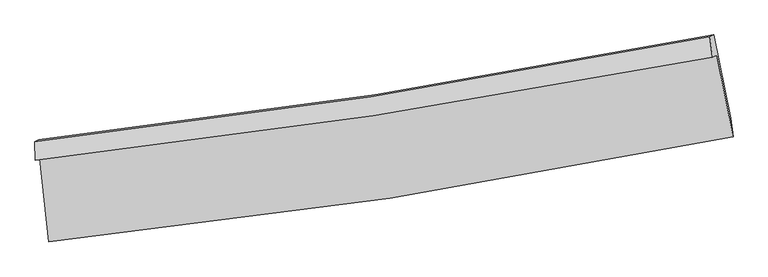
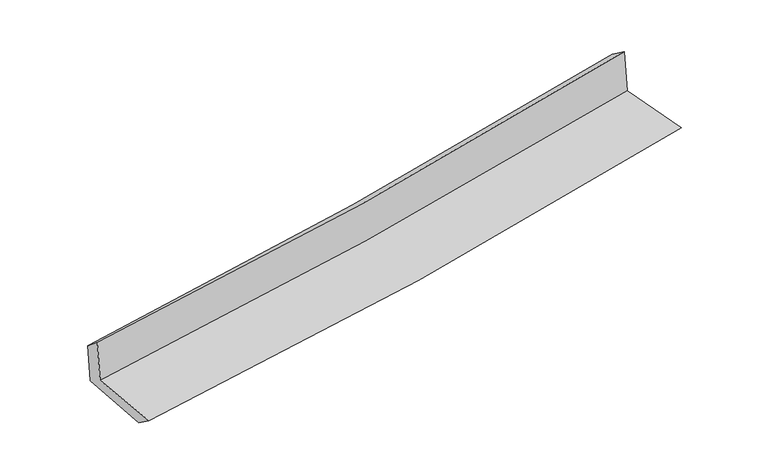
"""IFC4 building model written with IfcOpenShell, lengths in millimetres: proxy geometry."""

import ifcopenshell
import ifcopenshell.guid

model = None  # the IFC model being written
_history = None  # IfcOwnerHistory: only IFC2X3 demands one
_inside = {}  # id of a spatial element -> (the spatial element, [elements in it])
_under = {}  # id of a project, library or spatial element -> (it, [spatial elements below it])
_declared = {}  # id of a project -> (the project, [libraries it declares])
_typed = {}  # id of a type object -> (the type object, [elements of that type])
_made_of = {}  # id of a material, layer set ... -> (it, [elements and type objects made of it])


def new_model(schema):
    """Start an empty IFC model of exactly this schema.

    Asked for "IFC4X3", IfcOpenShell would pick the latest addendum, in which some entities
    have other attributes; the version numbers below select the first issue.
    IFC2X3 requires an IfcOwnerHistory on every rooted entity: one is made here for all.
    """
    global model, _history
    if schema == "IFC4X3":
        model = ifcopenshell.file(schema_version=(4, 3, 0, 0))
    else:
        model = ifcopenshell.file(schema=schema)
    _inside.clear()
    _under.clear()
    _declared.clear()
    _typed.clear()
    _made_of.clear()
    _history = None
    if model.schema == "IFC2X3":
        org = make("IfcOrganization", Name="unknown")
        user = make(
            "IfcPersonAndOrganization",
            ThePerson=make("IfcPerson", FamilyName="unknown"),
            TheOrganization=org,
        )
        app = make(
            "IfcApplication",
            ApplicationDeveloper=org,
            Version="unknown",
            ApplicationFullName="unknown",
            ApplicationIdentifier="unknown",
        )
        _history = make(
            "IfcOwnerHistory",
            OwningUser=user,
            OwningApplication=app,
            ChangeAction="ADDED",
            CreationDate=0,
        )
    return model


def make(cls, **values):
    """One entity of the class cls with the attributes given. An attribute that is None is left unset."""
    return model.create_entity(
        cls, **{name: value for name, value in values.items() if value is not None}
    )


def rooted(cls, **values):
    """An entity with a GlobalId (a new one), such as an element, a storey or a relation."""
    return make(cls, GlobalId=ifcopenshell.guid.new(), OwnerHistory=_history, **values)


def si_unit(unit_type, name, prefix=None):
    """IfcSIUnit, for example si_unit("LENGTHUNIT", "METRE", prefix="MILLI")."""
    return make("IfcSIUnit", UnitType=unit_type, Prefix=prefix, Name=name)


def assignment(units):
    """IfcUnitAssignment: the units of a project."""
    return None if units is None else make("IfcUnitAssignment", Units=units)


def point(xyz):
    """IfcCartesianPoint."""
    return None if xyz is None else make("IfcCartesianPoint", Coordinates=xyz)


def direction(xyz):
    """IfcDirection."""
    return None if xyz is None else make("IfcDirection", DirectionRatios=xyz)


def frame(location, z_axis=None, x_axis=None):
    """IfcAxis2Placement3D, a coordinate frame: its origin and axes. An axis left out is left unset."""
    return make(
        "IfcAxis2Placement3D",
        Location=point(location),
        Axis=direction(z_axis),
        RefDirection=direction(x_axis),
    )


def origin():
    """The frame at (0, 0, 0) with its axes left unset."""
    return frame((0.0, 0.0, 0.0))


def place(relative_to, where):
    """IfcLocalPlacement: puts the frame where relative to a parent placement (None: the world)."""
    return make(
        "IfcLocalPlacement", PlacementRelTo=relative_to, RelativePlacement=where
    )


def context(
    kind, dimensions, precision=None, world=None, true_north=None, identifier=None
):
    """IfcGeometricRepresentationContext, for example the 3D "Model" context."""
    return make(
        "IfcGeometricRepresentationContext",
        ContextIdentifier=identifier,
        ContextType=kind,
        CoordinateSpaceDimension=dimensions,
        Precision=precision,
        WorldCoordinateSystem=world,
        TrueNorth=true_north,
    )


def project(units=None, contexts=None):
    """IfcProject with its units and contexts."""
    return rooted(
        "IfcProject",
        Name="project",
        RepresentationContexts=contexts,
        UnitsInContext=assignment(units),
    )


def spatial(cls, under=None, at=None, **own):
    """A site, building, storey or space (cls), placed at a placement, below another one or the project."""
    s = rooted(cls, ObjectPlacement=at, **own)
    if under is not None:
        _under.setdefault(under.id(), (under, []))[1].append(s)
    return s


def shape(context_of_items, identifier, shape_type, items):
    """IfcShapeRepresentation: the items that make up one representation, for example the "Body"."""
    return make(
        "IfcShapeRepresentation",
        ContextOfItems=context_of_items,
        RepresentationIdentifier=identifier,
        RepresentationType=shape_type,
        Items=items,
    )


def source(mapping_origin, context_of_items, identifier, shape_type, items):
    """IfcRepresentationMap: a shape defined once, which mapped items show again and again."""
    return make(
        "IfcRepresentationMap",
        MappingOrigin=mapping_origin,
        MappedRepresentation=shape(context_of_items, identifier, shape_type, items),
    )


def transform(
    local_origin,
    x_axis=None,
    y_axis=None,
    z_axis=None,
    scale=None,
    scale2=None,
    scale3=None,
    uniform=True,
):
    """IfcCartesianTransformationOperator3D, or its non-uniform kind. x_axis, y_axis, z_axis: its Axis1, 2, 3."""
    if uniform:
        return make(
            "IfcCartesianTransformationOperator3D",
            Axis1=direction(x_axis),
            Axis2=direction(y_axis),
            LocalOrigin=point(local_origin),
            Scale=scale,
            Axis3=direction(z_axis),
        )
    return make(
        "IfcCartesianTransformationOperator3DnonUniform",
        Axis1=direction(x_axis),
        Axis2=direction(y_axis),
        LocalOrigin=point(local_origin),
        Scale=scale,
        Axis3=direction(z_axis),
        Scale2=scale2,
        Scale3=scale3,
    )


def mapped(mapping_source, mapping_target):
    """IfcMappedItem: shows the shape of a source again, moved by a transform."""
    return make(
        "IfcMappedItem", MappingSource=mapping_source, MappingTarget=mapping_target
    )


def made_of(thing, what):
    """Note that an element or type object is made of a material, layer set ...; save() writes the relation."""
    if what is not None:
        _made_of.setdefault(what.id(), (what, []))[1].append(thing)
    return thing


def element(
    cls,
    number,
    at=None,
    inside=None,
    cuts=None,
    type_object=None,
    material=None,
    context=None,
    identifier="Body",
    shape_type=None,
    held_by="IfcProductDefinitionShape",
    body=None,
    shapes=None,
    **own,
):
    """One element of the class cls, such as IfcWall. Its Tag is "e" and its number.

    at: its placement. inside: the storey or other place that contains it. cuts: it is an
    opening in that element (IfcRelVoidsElement). A single representation is given by context,
    identifier, shape_type and body (its items); several are given by shapes. held_by: the class
    of the entity that holds the representations. save() writes the other relations.
    """
    e = rooted(cls, Tag="e%d" % number, ObjectPlacement=at, **own)
    if body is not None:
        shapes = [shape(context, identifier, shape_type, body)]
    if shapes is not None:
        e.Representation = make(held_by, Representations=shapes)
    if inside is not None:
        _inside.setdefault(inside.id(), (inside, []))[1].append(e)
    if cuts is not None:
        rooted(
            "IfcRelVoidsElement", RelatingBuildingElement=cuts, RelatedOpeningElement=e
        )
    if type_object is not None:
        _typed.setdefault(type_object.id(), (type_object, []))[1].append(e)
    return made_of(e, material)


def aggregate(whole, parts):
    """IfcRelAggregates: a whole, such as a stair, and the parts it consists of."""
    return rooted("IfcRelAggregates", RelatingObject=whole, RelatedObjects=parts)


def save(model, path):
    """Write the relations noted so far, then the file.

    IfcRelAggregates (storeys below a building ...), IfcRelContainedInSpatialStructure (elements
    in a storey), IfcRelDefinesByType, IfcRelAssociatesMaterial and IfcRelDeclares: one each for
    every whole, place, type object, material and project.
    """
    for whole, parts in _under.values():
        aggregate(whole, parts)
    for where, things in _inside.values():
        rooted(
            "IfcRelContainedInSpatialStructure",
            RelatedElements=things,
            RelatingStructure=where,
        )
    for kind, things in _typed.values():
        rooted("IfcRelDefinesByType", RelatedObjects=things, RelatingType=kind)
    for what, things in _made_of.values():
        rooted("IfcRelAssociatesMaterial", RelatedObjects=things, RelatingMaterial=what)
    for by, libraries in _declared.values():
        rooted("IfcRelDeclares", RelatingContext=by, RelatedDefinitions=libraries)
    model.write(path)


def plane_surface(at):
    """IfcPlane: the flat surface through the origin of the frame at, square to its z axis."""
    return make("IfcPlane", Position=at)


def spline_curve(degree, points, multiplicities, knots, weights=None):
    """IfcBSplineCurveWithKnots; with weights, IfcRationalBSplineCurveWithKnots."""
    own = dict(
        Degree=degree,
        ControlPointsList=[point(p) for p in points],
        CurveForm="UNSPECIFIED",
        ClosedCurve=False,
        SelfIntersect=False,
        KnotMultiplicities=multiplicities,
        Knots=knots,
        KnotSpec="UNSPECIFIED",
    )
    if weights is None:
        return make("IfcBSplineCurveWithKnots", **own)
    return make("IfcRationalBSplineCurveWithKnots", WeightsData=weights, **own)


def spline_surface(u_degree, v_degree, points, u_multiplicities, v_multiplicities, u_knots, v_knots, weights=None):
    """IfcBSplineSurfaceWithKnots; with weights, IfcRationalBSplineSurfaceWithKnots. points: one row for each step in u."""
    own = dict(
        UDegree=u_degree,
        VDegree=v_degree,
        ControlPointsList=[[point(p) for p in row] for row in points],
        SurfaceForm="UNSPECIFIED",
        UClosed=False,
        VClosed=False,
        SelfIntersect=False,
        UMultiplicities=u_multiplicities,
        VMultiplicities=v_multiplicities,
        UKnots=u_knots,
        VKnots=v_knots,
        KnotSpec="UNSPECIFIED",
    )
    if weights is None:
        return make("IfcBSplineSurfaceWithKnots", **own)
    return make("IfcRationalBSplineSurfaceWithKnots", WeightsData=weights, **own)


def advanced_brep(points, edges, surfaces, faces):
    """IfcAdvancedBrep: a solid bounded by faces that lie on surfaces and meet in shared edges.

    An edge is (start, end): straight between two places in points (the first is 0);
    or (start, end, curve); or (start, end, curve, False) where it runs against its curve.
    A face is (place in surfaces, loops), or (place, loops, False) where it looks against
    its surface's normal. A loop lists edges by number (the first is 1), with a minus sign
    where the edge is run from its end to its start. The first loop is the outer one.
    """
    corners = [point(p) for p in points]
    vertices = [make("IfcVertexPoint", VertexGeometry=c) for c in corners]
    made = []
    for start, end, *more in edges:
        made.append(
            make(
                "IfcEdgeCurve",
                EdgeStart=vertices[start],
                EdgeEnd=vertices[end],
                EdgeGeometry=more[0] if more else make("IfcPolyline", Points=[corners[start], corners[end]]),
                SameSense=more[1] if len(more) > 1 else True,
            )
        )
    hull = []
    for where, loops, *sense in faces:
        bounds = []
        for j, loop in enumerate(loops):
            ring = [make("IfcOrientedEdge", EdgeElement=made[abs(k) - 1], Orientation=k > 0) for k in loop]
            bounds.append(
                make(
                    "IfcFaceOuterBound" if j == 0 else "IfcFaceBound",
                    Bound=make("IfcEdgeLoop", EdgeList=ring),
                    Orientation=True,
                )
            )
        hull.append(make("IfcAdvancedFace", Bounds=bounds, FaceSurface=surfaces[where], SameSense=sense[0] if sense else True))
    return make("IfcAdvancedBrep", Outer=make("IfcClosedShell", CfsFaces=hull))


def generic_models_95b1424d(model_context):
    return source(origin(), model_context, "Body", "AdvancedBrep", [
        advanced_brep(
        [(-2680.3612054, -1892.3262411, 1663.1459626), (-2608.6018427, -2546.8388265, 1641.6055986), (2768.9460363, -1721.2627932, 2110.2946615), (2641.8556178, -1080.095168, 2126.5556941), (-2714.1763667, -1905.8603921, 2056.0903259), (2607.0953464, -1093.9125461, 2527.2746732), (-2718.7544885, -1759.6714571, 1933.3001037), (2586.9143023, -934.9917877, 2410.2352073), (-2687.7623499, -1744.3052509, 1569.6386892), (2618.3631208, -919.3991551, 2041.2151156), (-2615.0254537, -2396.6188206, 1534.5896903), (2750.2142887, -1573.1128003, 2000.3154007)],
        [
            (0, 1),
            (1, 2, spline_curve(3, [(-2608.6018427, -2546.8388265, 1641.6055986), (-1711.66004429, -2454.380643297, 1712.110351489), (-818.209054434, -2339.997188836, 1786.118542633), (974.407213498, -2065.435198502, 1942.247559264), (1873.47218316, -1904.626641662, 2024.469055669), (2768.9460363, -1721.2627932, 2110.2946615)], [4, 2, 4], [0.0, 8.8507329593886, 17.827727825003755])),
            (2, 3),
            (3, 0, spline_curve(3, [(2641.8556178, -1080.095168, 2126.5556941), (1754.695693848, -1252.455028125, 2041.903586473), (864.434712437, -1406.672669797, 1960.710881488), (-909.724181442, -1676.909607008, 1806.337600107), (-1793.535474366, -1793.435656728, 1733.060394613), (-2680.3612054, -1892.3262411, 1663.1459626)], [4, 2, 4], [0.0, 8.976994865615156, 17.827727825003755])),
            (4, 0),
            (3, 5),
            (5, 4, spline_curve(3, [(2607.0953464, -1093.9125461, 2527.2746732), (1720.757379078, -1265.862114695, 2433.515789633), (830.984343982, -1419.852125653, 2347.144851208), (-942.868843105, -1689.999756052, 2190.289764161), (-1826.853045518, -1806.659027188, 2119.599253704), (-2714.1763667, -1905.8603921, 2056.0903259)], [4, 2, 4], [0.0, 8.929257322847265, 17.732924170524655])),
            (6, 4),
            (5, 7),
            (7, 6, spline_curve(3, [(2586.9143023, -934.9917877, 2410.2352073), (1702.659095362, -1111.053839161, 2328.127331599), (815.238791054, -1268.161595511, 2247.054596665), (-953.405881015, -1542.525381774, 2088.105142907), (-1834.541840445, -1660.31084888, 2010.199509534), (-2718.7544885, -1759.6714571, 1933.3001037)], [4, 2, 4], [0.0, 8.918347661378482, 17.711258292551015])),
            (8, 6),
            (7, 9),
            (9, 8, spline_curve(3, [(2618.3631208, -919.3991551, 2041.2151156), (1733.616028267, -1095.705088168, 1964.87901808), (845.912925671, -1252.953058563, 1887.124637704), (-922.878132874, -1527.389425084, 1729.892879972), (-1803.88352032, -1645.110153037, 1650.455117847), (-2687.7623499, -1744.3052509, 1569.6386892)], [4, 2, 4], [0.0, 8.907670682981154, 17.690054508020616])),
            (10, 8),
            (9, 11),
            (11, 10, spline_curve(3, [(2750.2142887, -1573.1128003, 2000.3154007), (1856.361541012, -1756.183127249, 1920.957300857), (959.141641273, -1916.671009606, 1842.197111001), (-829.365658688, -2190.542237144, 1686.971908582), (-1720.559006234, -2304.556361719, 1610.490194868), (-2615.0254537, -2396.6188206, 1534.5896903)], [4, 2, 4], [0.0, 8.9556355498617, 17.785309613399395])),
            (1, 10),
            (11, 2),
        ],
        [
            spline_surface(3, 3, [[(-2680.3612054, -1892.3262411, 1663.1459626), (-1793.535474402, -1793.435656754, 1733.060394472), (-909.724181514, -1676.909607151, 1806.337600056), (864.434712509, -1406.672669652, 1960.710881539), (1754.695693995, -1252.455028211, 2041.903586482), (2641.8556178, -1080.095168, 2126.5556941)], [(-2656.441417831, -2110.497102907, 1655.965841255), (-1766.243664323, -2013.750652258, 1726.077046789), (-879.219139141, -1897.938801052, 1799.597914243), (901.092212793, -1626.260179261, 1954.556440785), (1794.287857073, -1469.845566067, 2036.092076245), (2684.219090634, -1293.817709739, 2121.135349917)], [(-2632.521630269, -2328.667964693, 1648.785719945), (-1738.951854252, -2234.06564774, 1719.093699141), (-848.714096719, -2118.967994955, 1792.858228432), (937.749713126, -1845.847688872, 1948.402000033), (1833.88002015, -1687.236103905, 2030.280565956), (2726.582563466, -1507.540251461, 2115.715005683)], [(-2608.6018427, -2546.8388265, 1641.6055986), (-1711.660044172, -2454.380643244, 1712.110351458), (-818.209054346, -2339.997188856, 1786.118542618), (974.40721341, -2065.435198482, 1942.247559278), (1873.472183228, -1904.626641761, 2024.469055719), (2768.9460363, -1721.2627932, 2110.2946615)]], [4, 4], [4, 2, 4], [0.0, 2.1943149793429573], [0.0, 8.8507329593886, 17.827727825003755]),
            spline_surface(3, 3, [[(-2714.1763667, -1905.8603921, 2056.0903259), (-1826.853045616, -1806.659027305, 2119.599253569), (-942.868843047, -1689.999756153, 2190.28976421), (830.984343923, -1419.852125551, 2347.144851158), (1720.757379066, -1265.862114692, 2433.515789624), (2607.0953464, -1093.9125461, 2527.2746732)], [(-2702.904646287, -1901.349008417, 1925.108871459), (-1815.747188565, -1802.251237105, 1990.752967196), (-931.820622516, -1685.636373161, 2062.305709496), (842.134466805, -1415.458973593, 2218.333527956), (1732.070150708, -1261.393085848, 2302.978388559), (2618.682103532, -1089.306753383, 2393.701680149)], [(-2691.632925813, -1896.837624783, 1794.127417041), (-1804.641331452, -1797.843446954, 1861.906680846), (-920.772402045, -1681.272990142, 1934.32165477), (853.284589628, -1411.065821609, 2089.522204742), (1743.382922354, -1256.924057055, 2172.440987547), (2630.268860668, -1084.700960717, 2260.128687151)], [(-2680.3612054, -1892.3262411, 1663.1459626), (-1793.535474402, -1793.435656754, 1733.060394472), (-909.724181514, -1676.909607151, 1806.337600056), (864.434712509, -1406.672669652, 1960.710881539), (1754.695693995, -1252.455028211, 2041.903586482), (2641.8556178, -1080.095168, 2126.5556941)]], [4, 4], [4, 2, 4], [0.0, 1.2692615181052451], [0.0, 8.80366684767739, 17.732924170524655]),
            spline_surface(3, 3, [[(-2718.7544885, -1759.6714571, 1933.3001037), (-1834.541840364, -1660.310848738, 2010.199509624), (-953.405880966, -1542.525381864, 2088.10514278), (815.238791004, -1268.16159542, 2247.054596793), (1702.659095222, -1111.053839133, 2328.127331507), (2586.9143023, -934.9917877, 2410.2352073)], [(-2717.228447907, -1808.401102112, 1974.230177793), (-1831.978908788, -1709.093574939, 2046.666090965), (-949.893535018, -1591.683506628, 2122.166683241), (820.487308619, -1318.725105465, 2280.418014899), (1708.691856499, -1162.656597657, 2363.256817571), (2593.641316996, -987.965373837, 2449.248362625)], [(-2715.702407293, -1857.130747088, 2015.160251807), (-1829.415977192, -1757.876301104, 2083.132672228), (-946.381188995, -1640.841631389, 2156.228223749), (825.735826309, -1369.288615506, 2313.781433052), (1714.724617789, -1214.259356169, 2398.38630356), (2600.368331704, -1040.938959963, 2488.261517875)], [(-2714.1763667, -1905.8603921, 2056.0903259), (-1826.853045616, -1806.659027305, 2119.599253569), (-942.868843047, -1689.999756153, 2190.28976421), (830.984343923, -1419.852125551, 2347.144851158), (1720.757379066, -1265.862114692, 2433.515789624), (2607.0953464, -1093.9125461, 2527.2746732)]], [4, 4], [4, 2, 4], [0.0, 0.5940361185657286], [0.0, 8.792910631172534, 17.711258292551015]),
            spline_surface(3, 3, [[(-2687.7623499, -1744.3052509, 1569.6386892), (-1803.883520275, -1645.11015303, 1650.455117879), (-922.87813277, -1527.389424944, 1729.892879835), (845.912925565, -1252.953058705, 1887.124637843), (1733.616028297, -1095.705088151, 1964.879018005), (2618.3631208, -919.3991551, 2041.2151156)], [(-2698.09306274, -1749.427319641, 1690.859160689), (-1814.102960278, -1650.177051607, 1770.369915116), (-933.054048822, -1532.434743919, 1849.296967505), (835.688214058, -1258.022570946, 2007.101290848), (1723.297050626, -1100.82133848, 2085.961789151), (2607.88018132, -924.596699302, 2164.221812812)], [(-2708.42377566, -1754.549388359, 1812.079632211), (-1824.322400361, -1655.243950161, 1890.284712387), (-943.229964914, -1537.480062889, 1968.70105511), (825.463502511, -1263.09208318, 2127.077943788), (1712.978072894, -1105.937588804, 2207.04456036), (2597.39724178, -929.794243498, 2287.228510088)], [(-2718.7544885, -1759.6714571, 1933.3001037), (-1834.541840364, -1660.310848738, 2010.199509624), (-953.405880966, -1542.525381864, 2088.10514278), (815.238791004, -1268.16159542, 2247.054596793), (1702.659095222, -1111.053839133, 2328.127331507), (2586.9143023, -934.9917877, 2410.2352073)]], [4, 4], [4, 2, 4], [0.0, 1.183413807260411], [0.0, 8.782383825039462, 17.690054508020616]),
            spline_surface(3, 3, [[(-2615.0254537, -2396.6188206, 1534.5896903), (-1720.559006145, -2304.55636171, 1610.490194824), (-829.365658563, -2190.542237175, 1686.971908544), (959.141641146, -1916.671009575, 1842.19711104), (1856.36154102, -1756.183127344, 1920.957300739), (2750.2142887, -1573.1128003, 2000.3154007)], [(-2639.271085767, -2179.180964029, 1546.272689945), (-1748.333844188, -2084.740958812, 1623.811835855), (-860.536483293, -1969.491299769, 1701.278898968), (921.398735958, -1695.431692622, 1857.172953301), (1815.446370105, -1536.023780961, 1935.597873157), (2706.263899393, -1355.208251915, 2013.948638996)], [(-2663.516717833, -1961.743107471, 1557.955689555), (-1776.108682232, -1864.925555928, 1637.133476849), (-891.707308039, -1748.440362351, 1715.585889411), (883.655830753, -1474.192375658, 1872.148795582), (1774.531199212, -1315.864434533, 1950.238445586), (2662.313510107, -1137.303703485, 2027.581877304)], [(-2687.7623499, -1744.3052509, 1569.6386892), (-1803.883520275, -1645.11015303, 1650.455117879), (-922.87813277, -1527.389424944, 1729.892879835), (845.912925565, -1252.953058705, 1887.124637843), (1733.616028297, -1095.705088151, 1964.879018005), (2618.3631208, -919.3991551, 2041.2151156)]], [4, 4], [4, 2, 4], [0.0, 2.2076811387774242], [0.0, 8.829674063537695, 17.785309613399395]),
            spline_surface(3, 3, [[(-2608.6018427, -2546.8388265, 1641.6055986), (-1711.660044172, -2454.380643244, 1712.110351458), (-818.209054346, -2339.997188856, 1786.118542618), (974.40721341, -2065.435198482, 1942.247559278), (1873.472183228, -1904.626641761, 2024.469055719), (2768.9460363, -1721.2627932, 2110.2946615)], [(-2610.743046369, -2496.765491194, 1605.93362916), (-1714.626364832, -2404.43921606, 1678.236965906), (-821.927922415, -2290.178871614, 1753.06966459), (969.318689325, -2015.847135498, 1908.897409862), (1867.768635817, -1855.145470278, 1989.965137393), (2762.702120425, -1671.879462223, 2073.634907901)], [(-2612.884250031, -2446.692155906, 1570.26165974), (-1717.592685486, -2354.497788894, 1644.363580376), (-825.646790494, -2240.360554417, 1720.020786572), (964.230165231, -1966.259072559, 1875.547260456), (1862.06508843, -1805.664298826, 1955.461219065), (2756.458204575, -1622.496131277, 2036.975154299)], [(-2615.0254537, -2396.6188206, 1534.5896903), (-1720.559006145, -2304.55636171, 1610.490194824), (-829.365658563, -2190.542237175, 1686.971908544), (959.141641146, -1916.671009575, 1842.19711104), (1856.36154102, -1756.183127344, 1920.957300739), (2750.2142887, -1573.1128003, 2000.3154007)]], [4, 4], [4, 2, 4], [0.0, 0.5899014119451709], [0.0, 8.88732030878634, 17.901424467970408]),
            plane_surface(frame((2662.231452, -1220.4623751, 2202.6484587), z_axis=(0.9772517298155391, 0.1913907398362294, 0.09137089951115542), x_axis=(-0.0848395478953045, -0.04206427987916494, 0.9955063271879128))),
            plane_surface(frame((-2670.7802845, -2040.9368314, 1733.0617284), z_axis=(-0.9904227699515902, -0.10566304493003281, -0.08887101719646055), x_axis=(-0.10892652511829312, 0.9935119109977267, 0.032697015632915584))),
        ],
        [
            (0, [[1, 2, 3, 4]]),
            (1, [[5, -4, 6, 7]]),
            (2, [[8, -7, 9, 10]]),
            (3, [[11, -10, 12, 13]]),
            (4, [[14, -13, 15, 16]]),
            (5, [[17, -16, 18, -2]]),
            (6, [[-12, -9, -6, -3, -18, -15]]),
            (7, [[-1, -5, -8, -11, -14, -17]]),
        ],
    ),
    ])


if __name__ == "__main__":
    model = new_model("IFC4")
    model_context = context("Model", 3, world=origin())
    ifc_project = project(units=[si_unit("LENGTHUNIT", "METRE", prefix="MILLI")], contexts=[model_context])
    site = spatial("IfcSite", under=ifc_project)
    building = spatial("IfcBuilding", under=site)
    placement = place(None, origin())
    generic_models_shape = generic_models_95b1424d(model_context)
    element("IfcBuildingElementProxy", 1, Name="Generic Models", at=placement, inside=building, context=model_context, shape_type="MappedRepresentation", body=[
        mapped(generic_models_shape, transform((0.0, 0.0, 0.0), x_axis=(1.0, 0.0, 0.0), y_axis=(0.0, 1.0, 0.0), z_axis=(0.0, 0.0, 1.0))),
    ])
    save(model, "model.ifc")
